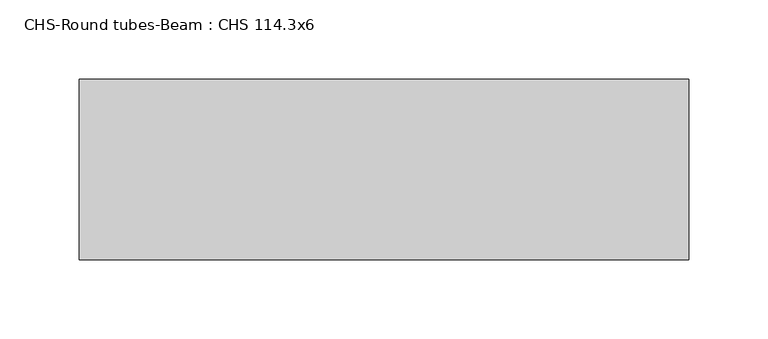
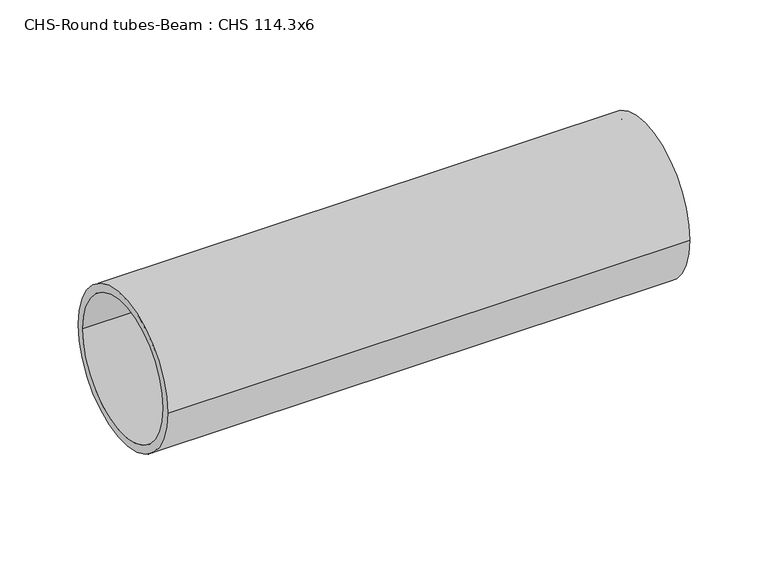
"""IFC4 building model written with IfcOpenShell, lengths in millimetres: beam geometry, CHS-Round tubes-Beam : CHS 114.3x6."""

from ifc_helpers import new_model, si_unit, point, frame, origin, origin_2d, place, context, project, spatial, circle_curve, trimmed, segment, composite_curve, outline, extrude, source, transform, mapped, element, save


def chs_round_tubes_beam_chs_114_3x6_8a38c515(model_context):
    return source(origin(), model_context, "Body", "SweptSolid", [
        extrude(outline(composite_curve([segment(trimmed(circle_curve(origin_2d(), 57.15), [point((57.15, 0.0))], [point((-57.15, 0.0))], False, "CARTESIAN"), True, "CONTINUOUS"), segment(trimmed(circle_curve(origin_2d(), 57.15), [point((-57.15, 0.0))], [point((57.15, 0.0))], False, "CARTESIAN"), True, "CONTINUOUS")], self_intersect=False), holes=[composite_curve([segment(trimmed(circle_curve(origin_2d(), 51.15), [point((51.15, 0.0))], [point((-51.15, 0.0))], True, "CARTESIAN"), True, "CONTINUOUS"), segment(trimmed(circle_curve(origin_2d(), 51.15), [point((-51.15, 0.0))], [point((51.15, 0.0))], True, "CARTESIAN"), True, "CONTINUOUS")], self_intersect=False)]), frame((-255.4829027, 0.0, 0.0), z_axis=(1.0, 0.0, 0.0), x_axis=(0.0, 1.0, 0.0)), (0.0, 0.0, 1.0), 385.6609172),
    ])


if __name__ == "__main__":
    model = new_model("IFC4")
    model_context = context("Model", 3, world=origin())
    ifc_project = project(units=[si_unit("LENGTHUNIT", "METRE", prefix="MILLI")], contexts=[model_context])
    site = spatial("IfcSite", under=ifc_project)
    building = spatial("IfcBuilding", under=site)
    placement = place(None, origin())
    chs_round_tubes_beam_chs_114_3x6_shape = chs_round_tubes_beam_chs_114_3x6_8a38c515(model_context)
    element("IfcBeam", 1, ObjectType="CHS-Round tubes-Beam : CHS 114.3x6", at=placement, inside=building, context=model_context, shape_type="MappedRepresentation", body=[
        mapped(chs_round_tubes_beam_chs_114_3x6_shape, transform((0.0, 0.0, 0.0), x_axis=(1.0, 0.0, 0.0), y_axis=(0.0, 1.0, 0.0), z_axis=(0.0, 0.0, 1.0))),
    ])
    save(model, "model.ifc")
